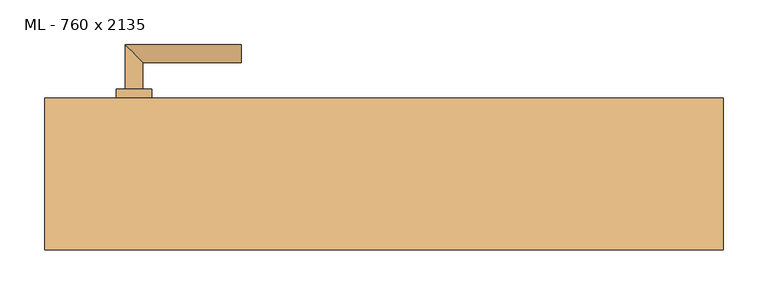
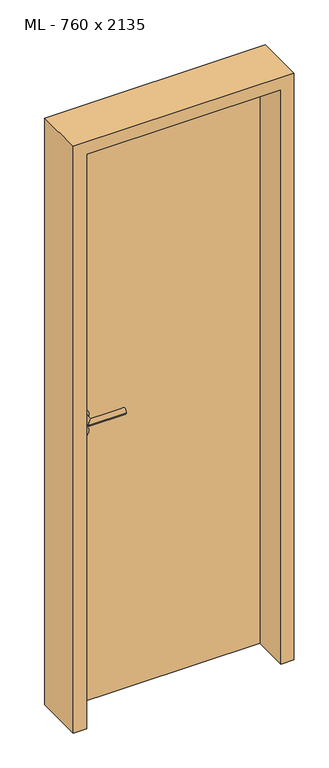
"""IFC4 building model written with IfcOpenShell, lengths in millimetres: door geometry, ML - 760 x 2135."""

from ifc_helpers import new_model, si_unit, point, frame, frame_2d, origin, origin_with_axes, place, context, project, spatial, polyline, circle_curve, ellipse_curve, trimmed, segment, composite_curve, outline, extrude, faceted_brep, source, transform, mapped, element, save
from ifc_brep_helpers import plane_surface, cylinder_surface, advanced_brep


def ml_760_x_2135_929f38ce(model_context):
    return source(origin(), model_context, "Body", "SolidModel", [
        extrude(outline(polyline([(346.0, 85.0), (346.0, 40.0), (-346.0, 40.0), (-346.0, 85.0), (346.0, 85.0)])), origin_with_axes(), (0.0, 0.0, 1.0), 2101.0),
        advanced_brep(
        [(-270.0, 95.0, 1050.0), (-290.0, 95.0, 1050.0), (-270.0, 125.0, 1050.0), (-290.0, 145.0, 1050.0), (-160.0, 125.0, 1050.0), (-160.0, 145.0, 1050.0)],
        [
            (0, 1, circle_curve(frame((-280.0, 95.0, 1050.0), z_axis=(0.0, -1.0, 0.0), x_axis=(-1.0, 0.0, 0.0)), 10.0)),
            (1, 0, circle_curve(frame((-280.0, 95.0, 1050.0), z_axis=(0.0, -1.0, 0.0), x_axis=(-1.0, 0.0, 0.0)), 10.0)),
            (0, 2),
            (2, 3, ellipse_curve(frame((-280.0, 135.0, 1050.0), z_axis=(-0.7071067811865531, -0.7071067811865419, 0.0), x_axis=(0.707106781186542, -0.707106781186553, 0.0)), 14.1421356, 10.0)),
            (3, 1),
            (3, 2, ellipse_curve(frame((-280.0, 135.0, 1050.0), z_axis=(-0.7071067811865531, -0.7071067811865419, 0.0), x_axis=(0.707106781186542, -0.707106781186553, 0.0)), 14.1421356, 10.0)),
            (4, 5, circle_curve(frame((-160.0, 135.0, 1050.0), z_axis=(1.0, 0.0, 0.0), x_axis=(0.0, 1.0, 0.0)), 10.0)),
            (5, 4, circle_curve(frame((-160.0, 135.0, 1050.0), z_axis=(1.0, 0.0, 0.0), x_axis=(0.0, 1.0, 0.0)), 10.0)),
            (2, 4),
            (5, 3),
        ],
        [
            plane_surface(frame((-280.0, 95.0, 1050.0), z_axis=(0.0, -1.0, 0.0), x_axis=(0.0, 0.0, 1.0))),
            cylinder_surface(frame((-280.0, 95.0, 1050.0), z_axis=(0.0, -1.0, 0.0), x_axis=(-1.0, 0.0, 0.0)), 10.0),
            plane_surface(frame((-160.0, 135.0, 1050.0), z_axis=(1.0, 0.0, 0.0), x_axis=(0.0, 0.0, 1.0))),
            cylinder_surface(frame((-280.0, 135.0, 1050.0), z_axis=(-1.0, 0.0, 0.0), x_axis=(0.0, 1.0, 0.0)), 10.0),
        ],
        [
            (0, [[1, 2]]),
            (1, [[-1, 3, 4, 5]]),
            (1, [[-2, -5, 6, -3]]),
            (2, [[7, 8]]),
            (3, [[-4, 9, -8, 10]]),
            (3, [[-6, -10, -7, -9]]),
        ],
    ),
        extrude(outline(composite_curve([segment(trimmed(circle_curve(frame_2d((990.0, -280.0)), 20.0), [point((990.0, -300.0))], [point((990.0, -260.0))], False, "CARTESIAN"), True, "CONTINUOUS"), segment(trimmed(circle_curve(frame_2d((990.0, -280.0)), 20.0), [point((990.0, -260.0))], [point((990.0, -300.0))], False, "CARTESIAN"), True, "CONTINUOUS")], self_intersect=False), holes=[composite_curve([segment(polyline([(976.4601385, -282.397268), (988.4749012, -282.397268)]), True, "CONTINUOUS"), segment(trimmed(circle_curve(frame_2d((995.0361633, -280.0)), 6.9854888), [point((988.4749012, -282.397268))], [point((988.4749012, -277.602732))], True, "CARTESIAN"), True, "CONTINUOUS"), segment(polyline([(988.4749012, -277.602732), (976.4601385, -277.602732)]), True, "CONTINUOUS"), segment(trimmed(circle_curve(frame_2d((976.4601385, -280.0)), 2.397268), [point((976.4601385, -277.602732))], [point((976.4601385, -282.397268))], True, "CARTESIAN"), True, "CONTINUOUS")], self_intersect=False)]), frame((0.0, 85.0, 0.0), z_axis=(0.0, 1.0, 0.0), x_axis=(0.0, 0.0, 1.0)), (0.0, 0.0, 1.0), 10.0),
        advanced_brep(
        [(-270.0, 95.0, 1050.0), (-290.0, 95.0, 1050.0), (-270.0, 125.0, 1050.0), (-290.0, 145.0, 1050.0), (-160.0, 125.0, 1050.0), (-160.0, 145.0, 1050.0)],
        [
            (0, 1, circle_curve(frame((-280.0, 95.0, 1050.0), z_axis=(0.0, -1.0, 0.0), x_axis=(-1.0, 0.0, 0.0)), 10.0)),
            (1, 0, circle_curve(frame((-280.0, 95.0, 1050.0), z_axis=(0.0, -1.0, 0.0), x_axis=(-1.0, 0.0, 0.0)), 10.0)),
            (0, 2),
            (2, 3, ellipse_curve(frame((-280.0, 135.0, 1050.0), z_axis=(-0.7071067811865537, -0.7071067811865414, 0.0), x_axis=(0.7071067811865414, -0.7071067811865536, 0.0)), 14.1421356, 10.0)),
            (3, 1),
            (3, 2, ellipse_curve(frame((-280.0, 135.0, 1050.0), z_axis=(-0.7071067811865537, -0.7071067811865414, 0.0), x_axis=(0.7071067811865414, -0.7071067811865536, 0.0)), 14.1421356, 10.0)),
            (4, 5, circle_curve(frame((-160.0, 135.0, 1050.0), z_axis=(1.0, 0.0, 0.0), x_axis=(0.0, 1.0, 0.0)), 10.0)),
            (5, 4, circle_curve(frame((-160.0, 135.0, 1050.0), z_axis=(1.0, 0.0, 0.0), x_axis=(0.0, 1.0, 0.0)), 10.0)),
            (2, 4),
            (5, 3),
        ],
        [
            plane_surface(frame((-280.0, 95.0, 1050.0), z_axis=(0.0, -1.0, 0.0), x_axis=(0.0, 0.0, 1.0))),
            cylinder_surface(frame((-280.0, 95.0, 1050.0), z_axis=(0.0, -1.0, 0.0), x_axis=(-1.0, 0.0, 0.0)), 10.0),
            plane_surface(frame((-160.0, 135.0, 1050.0), z_axis=(1.0, 0.0, 0.0), x_axis=(0.0, 0.0, 1.0))),
            cylinder_surface(frame((-280.0, 135.0, 1050.0), z_axis=(-1.0, 0.0, 0.0), x_axis=(0.0, 1.0, 0.0)), 10.0),
        ],
        [
            (0, [[1, 2]]),
            (1, [[-1, 3, 4, 5]]),
            (1, [[-2, -5, 6, -3]]),
            (2, [[7, 8]]),
            (3, [[-4, 9, -8, 10]]),
            (3, [[-6, -10, -7, -9]]),
        ],
    ),
        extrude(outline(composite_curve([segment(trimmed(circle_curve(frame_2d((1050.0, -280.0)), 20.0), [point((1050.0, -300.0))], [point((1050.0, -260.0))], False, "CARTESIAN"), True, "CONTINUOUS"), segment(trimmed(circle_curve(frame_2d((1050.0, -280.0)), 20.0), [point((1050.0, -260.0))], [point((1050.0, -300.0))], False, "CARTESIAN"), True, "CONTINUOUS")], self_intersect=False)), frame((0.0, 85.0, 0.0), z_axis=(0.0, 1.0, 0.0), x_axis=(0.0, 0.0, 1.0)), (0.0, 0.0, 1.0), 10.0),
        advanced_brep(
        [(-270.0, 30.0, 1050.0), (-290.0, 30.0, 1050.0), (-290.0, -20.0, 1050.0), (-270.0, 0.0, 1050.0), (-160.0, 0.0, 1050.0), (-160.0, -20.0, 1050.0)],
        [
            (0, 1, circle_curve(frame((-280.0, 30.0, 1050.0), z_axis=(0.0, 1.0, 0.0), x_axis=(-1.0, 0.0, 0.0)), 10.0)),
            (1, 0, circle_curve(frame((-280.0, 30.0, 1050.0), z_axis=(0.0, 1.0, 0.0), x_axis=(-1.0, 0.0, 0.0)), 10.0)),
            (1, 2),
            (2, 3, ellipse_curve(frame((-280.0, -10.0, 1050.0), z_axis=(-0.7071067811865486, 0.7071067811865464, 0.0), x_axis=(0.7071067811865464, 0.7071067811865488, 0.0)), 14.1421356, 10.0)),
            (3, 0),
            (3, 2, ellipse_curve(frame((-280.0, -10.0, 1050.0), z_axis=(-0.7071067811865486, 0.7071067811865464, 0.0), x_axis=(0.7071067811865464, 0.7071067811865488, 0.0)), 14.1421356, 10.0)),
            (4, 5, circle_curve(frame((-160.0, -10.0, 1050.0), z_axis=(1.0, 0.0, 0.0), x_axis=(0.0, -1.0, 0.0)), 10.0)),
            (5, 4, circle_curve(frame((-160.0, -10.0, 1050.0), z_axis=(1.0, 0.0, 0.0), x_axis=(0.0, -1.0, 0.0)), 10.0)),
            (2, 5),
            (4, 3),
        ],
        [
            plane_surface(frame((-280.0, 30.0, 1050.0), z_axis=(0.0, 1.0, 0.0), x_axis=(0.0, 0.0, 1.0))),
            cylinder_surface(frame((-280.0, 30.0, 1050.0), z_axis=(0.0, 1.0, 0.0), x_axis=(-1.0, 0.0, 0.0)), 10.0),
            plane_surface(frame((-160.0, -10.0, 1050.0), z_axis=(1.0, 0.0, 0.0), x_axis=(0.0, 0.0, 1.0))),
            cylinder_surface(frame((-280.0, -10.0, 1050.0), z_axis=(-1.0, 0.0, 0.0), x_axis=(0.0, -1.0, 0.0)), 10.0),
        ],
        [
            (0, [[1, 2]]),
            (1, [[3, 4, 5, -2]]),
            (1, [[-5, 6, -3, -1]]),
            (2, [[7, 8]]),
            (3, [[9, -7, 10, -4]]),
            (3, [[-10, -8, -9, -6]]),
        ],
    ),
        extrude(outline(composite_curve([segment(trimmed(circle_curve(frame_2d((990.0, -280.0)), 20.0), [point((990.0, -300.0))], [point((990.0, -260.0))], False, "CARTESIAN"), True, "CONTINUOUS"), segment(trimmed(circle_curve(frame_2d((990.0, -280.0)), 20.0), [point((990.0, -260.0))], [point((990.0, -300.0))], False, "CARTESIAN"), True, "CONTINUOUS")], self_intersect=False), holes=[composite_curve([segment(polyline([(976.4601385, -282.397268), (988.4749012, -282.397268)]), True, "CONTINUOUS"), segment(trimmed(circle_curve(frame_2d((995.0361633, -280.0)), 6.9854888), [point((988.4749012, -282.397268))], [point((988.4749012, -277.602732))], True, "CARTESIAN"), True, "CONTINUOUS"), segment(polyline([(988.4749012, -277.602732), (976.4601385, -277.602732)]), True, "CONTINUOUS"), segment(trimmed(circle_curve(frame_2d((976.4601385, -280.0)), 2.397268), [point((976.4601385, -277.602732))], [point((976.4601385, -282.397268))], True, "CARTESIAN"), True, "CONTINUOUS")], self_intersect=False)]), frame((0.0, 30.0, 0.0), z_axis=(0.0, 1.0, 0.0), x_axis=(0.0, 0.0, 1.0)), (0.0, 0.0, 1.0), 10.0),
        advanced_brep(
        [(-270.0, 30.0, 1050.0), (-290.0, 30.0, 1050.0), (-290.0, -20.0, 1050.0), (-270.0, 0.0, 1050.0), (-160.0, 0.0, 1050.0), (-160.0, -20.0, 1050.0)],
        [
            (0, 1, circle_curve(frame((-280.0, 30.0, 1050.0), z_axis=(0.0, 1.0, 0.0), x_axis=(-1.0, 0.0, 0.0)), 10.0)),
            (1, 0, circle_curve(frame((-280.0, 30.0, 1050.0), z_axis=(0.0, 1.0, 0.0), x_axis=(-1.0, 0.0, 0.0)), 10.0)),
            (1, 2),
            (2, 3, ellipse_curve(frame((-280.0, -10.0, 1050.0), z_axis=(-0.7071067811865491, 0.7071067811865459, 0.0), x_axis=(0.7071067811865458, 0.7071067811865492, 0.0)), 14.1421356, 10.0)),
            (3, 0),
            (3, 2, ellipse_curve(frame((-280.0, -10.0, 1050.0), z_axis=(-0.7071067811865491, 0.7071067811865459, 0.0), x_axis=(0.7071067811865458, 0.7071067811865492, 0.0)), 14.1421356, 10.0)),
            (4, 5, circle_curve(frame((-160.0, -10.0, 1050.0), z_axis=(1.0, 0.0, 0.0), x_axis=(0.0, -1.0, 0.0)), 10.0)),
            (5, 4, circle_curve(frame((-160.0, -10.0, 1050.0), z_axis=(1.0, 0.0, 0.0), x_axis=(0.0, -1.0, 0.0)), 10.0)),
            (2, 5),
            (4, 3),
        ],
        [
            plane_surface(frame((-280.0, 30.0, 1050.0), z_axis=(0.0, 1.0, 0.0), x_axis=(0.0, 0.0, 1.0))),
            cylinder_surface(frame((-280.0, 30.0, 1050.0), z_axis=(0.0, 1.0, 0.0), x_axis=(-1.0, 0.0, 0.0)), 10.0),
            plane_surface(frame((-160.0, -10.0, 1050.0), z_axis=(1.0, 0.0, 0.0), x_axis=(0.0, 0.0, 1.0))),
            cylinder_surface(frame((-280.0, -10.0, 1050.0), z_axis=(-1.0, 0.0, 0.0), x_axis=(0.0, -1.0, 0.0)), 10.0),
        ],
        [
            (0, [[1, 2]]),
            (1, [[3, 4, 5, -2]]),
            (1, [[-5, 6, -3, -1]]),
            (2, [[7, 8]]),
            (3, [[9, -7, 10, -4]]),
            (3, [[-10, -8, -9, -6]]),
        ],
    ),
        extrude(outline(composite_curve([segment(trimmed(circle_curve(frame_2d((1050.0, -280.0)), 20.0), [point((1050.0, -300.0))], [point((1050.0, -260.0))], False, "CARTESIAN"), True, "CONTINUOUS"), segment(trimmed(circle_curve(frame_2d((1050.0, -280.0)), 20.0), [point((1050.0, -260.0))], [point((1050.0, -300.0))], False, "CARTESIAN"), True, "CONTINUOUS")], self_intersect=False)), frame((0.0, 30.0, 0.0), z_axis=(0.0, 1.0, 0.0), x_axis=(0.0, 0.0, 1.0)), (0.0, 0.0, 1.0), 10.0),
        faceted_brep([(-350.0, 85.0, 0.0), (-350.0, 40.0, 0.0), (-335.0, 40.0, 0.0), (-335.0, -85.0, 0.0), (-380.0, -85.0, 0.0), (-380.0, 85.0, 0.0), (-350.0, 85.0, 2105.0), (-350.0, 40.0, 2105.0), (350.0, 40.0, 2105.0), (350.0, 40.0, 0.0), (335.0, 40.0, 0.0), (335.0, 40.0, 2090.0), (-335.0, 40.0, 2090.0), (-335.0, -85.0, 2090.0), (335.0, -85.0, 2090.0), (335.0, -85.0, 0.0), (380.0, -85.0, 0.0), (380.0, -85.0, 2135.0), (-380.0, -85.0, 2135.0), (-380.0, 85.0, 2135.0), (380.0, 85.0, 2135.0), (380.0, 85.0, 0.0), (350.0, 85.0, 0.0), (350.0, 85.0, 2105.0)], [[[0, 1, 2, 3, 4, 5]], [[1, 0, 6, 7]], [[2, 1, 7, 8, 9, 10, 11, 12]], [[3, 2, 12, 13]], [[4, 3, 13, 14, 15, 16, 17, 18]], [[5, 4, 18, 19]], [[0, 5, 19, 20, 21, 22, 23, 6]], [[20, 17, 16, 21]], [[22, 21, 16, 15, 10, 9]], [[8, 23, 22, 9]], [[14, 11, 10, 15]], [[19, 18, 17, 20]], [[13, 12, 11, 14]], [[7, 6, 23, 8]]]),
    ])


if __name__ == "__main__":
    model = new_model("IFC4")
    model_context = context("Model", 3, world=origin())
    ifc_project = project(units=[si_unit("LENGTHUNIT", "METRE", prefix="MILLI")], contexts=[model_context])
    site = spatial("IfcSite", under=ifc_project)
    building = spatial("IfcBuilding", under=site)
    placement = place(None, origin())
    ml_760_x_2135_shape = ml_760_x_2135_929f38ce(model_context)
    element("IfcDoor", 1, ObjectType="ML - 760 x 2135", at=placement, inside=building, context=model_context, shape_type="MappedRepresentation", body=[
        mapped(ml_760_x_2135_shape, transform((0.0, 0.0, 0.0), x_axis=(1.0, 0.0, 0.0), y_axis=(0.0, 1.0, 0.0), z_axis=(0.0, 0.0, 1.0))),
    ])
    save(model, "model.ifc")
